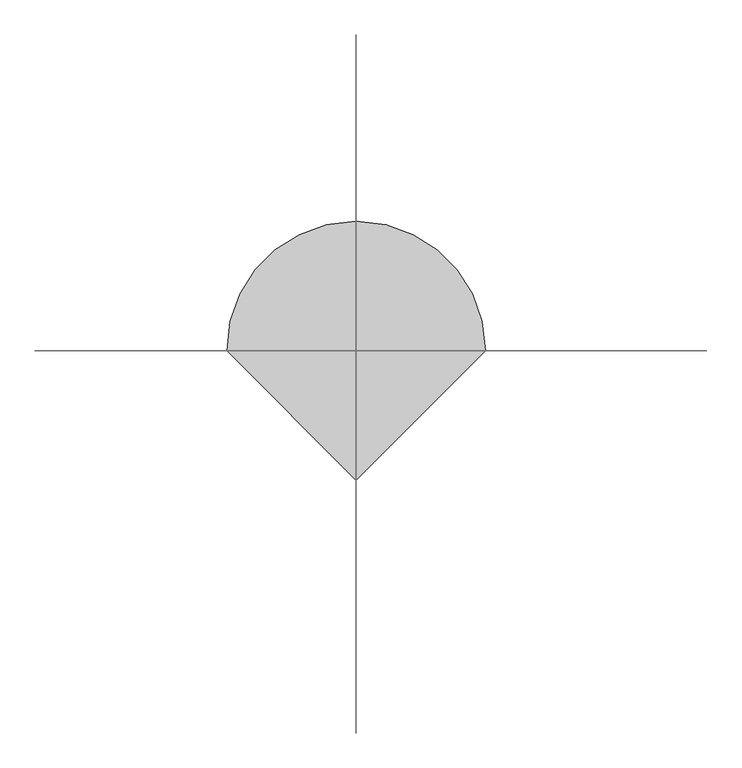
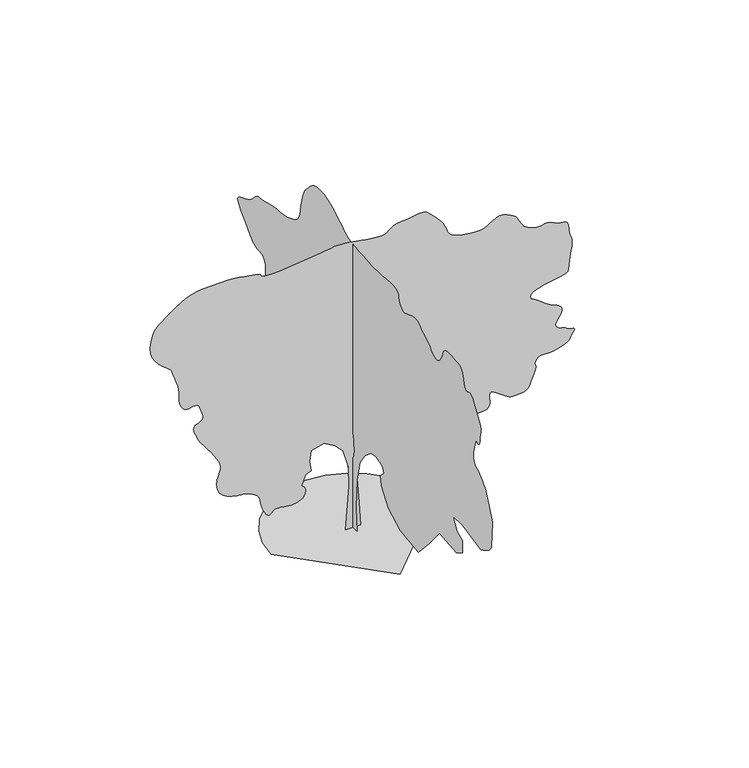
"""IFC4 building model written with IfcOpenShell, lengths in millimetres: geographic element geometry."""

from ifc_helpers import new_model, si_unit, origin, place, context, project, spatial, triangles, source, transform, mapped, element, save


def geographic_element_6e897a6f(model_context):
    return source(origin(), model_context, "Body", "Tessellation", [
        triangles([(-6.51e-05, 105.0228319, 0.0074776), (-6.15e-05, -138.9131143, 0.0074703), (-4.84e-05, -99.8833291, 458.6078719), (-3.14e-05, -129.1556067, 1014.7807915), (-1.8e-05, -226.7299288, 1414.8361691), (-8.5e-06, -392.6053236, 1649.0138809), (-1.1e-06, -577.9979682, 1805.1340027), (2.6e-06, -753.6305981, 1844.161417), (3.5e-06, -948.7807503, 1775.8613708), (1.5e-06, -1007.3257959, 1678.2863674), (-4e-06, -890.2357046, 1551.4387321), (-8.4e-06, -929.2657351, 1385.5636826), (-1.44e-05, -1153.685903, 1073.3258371), (-1.47e-05, -1543.9838093, 868.4182137), (-8.5e-06, -2109.9142365, 790.3606236), (7.6e-06, -2451.4244957, 1161.1409712), (2.53e-05, -2802.702182, 1580.7112186), (3.2e-05, -3349.1028419, 1531.9237896), (3.84e-05, -3544.2528488, 1649.0138809), (4.53e-05, -3534.5028625, 1883.1915928), (4.5e-05, -3358.8778267, 1961.2516537), (4.95e-05, -3232.0277206, 2175.9142776), (5.43e-05, -3534.5028625, 2185.6718216), (5.98e-05, -4139.453437, 2068.584201), (6.19e-05, -4208.0283211, 2104.1717091), (6.39e-05, -4273.9283684, 2140.0142887), (6.59e-05, -4334.553447, 2176.3691917), (6.78e-05, -4387.2284294, 2213.4942513), (6.96e-05, -4429.328476, 2251.6417774), (7.12e-05, -4458.2034576, 2291.0693127), (7.26e-05, -4471.2035362, 2332.0343994), (8.79e-05, -4500.4784935, 2829.6522812), (9.79e-05, -4334.6034439, 3249.2275429), (9.86e-05, -4317.5036156, 3282.3275574), (9.94e-05, -4292.2284142, 3321.5527794), (0.0001002, -4260.1033401, 3364.7027618), (0.000101, -4222.5283081, 3409.5526405), (0.0001017, -4180.8532356, 3453.9028404), (0.0001023, -4136.4533295, 3495.527916), (0.0001027, -4090.6782166, 3532.2027122), (0.0001029, -4046.5782921, 3560.9279938), (0.0001029, -4006.7531067, 3582.8278198), (0.000103, -3971.8782005, 3601.8278229), (0.0001031, -3942.6282417, 3621.853054), (0.0001036, -3919.7031876, 3646.8529816), (0.0001043, -3903.7782875, 3680.7029503), (0.0001056, -3895.5282097, 3727.3530098), (0.0001072, -3894.4782738, 3782.2781456), (0.0001089, -3899.0532852, 3838.2282188), (0.0001108, -3908.3283005, 3895.0532387), (0.0001127, -3921.3530869, 3952.5282188), (0.0001147, -3937.2032822, 4010.528167), (0.0001167, -3954.9280724, 4068.8783844), (0.0001187, -3973.5780968, 4127.4033005), (0.0001184, -3998.5533165, 4107.2783661), (0.0001184, -4022.8532867, 4091.9534294), (0.0001185, -4045.7783409, 4086.1782005), (0.0001191, -4066.6532295, 4094.7532585), (0.0001202, -4084.8032845, 4122.4283134), (0.0001219, -4099.5532562, 4174.003363), (0.0001245, -4110.1781891, 4254.2534065), (0.000127, -4120.6784203, 4333.2285278), (0.0001287, -4132.0283089, 4385.4035408), (0.0001299, -4139.1284569, 4422.2036201), (0.0001309, -4136.8033081, 4455.0786484), (0.0001318, -4120.0034615, 4495.478508), (0.0001331, -4083.5533607, 4554.8286644), (0.0001348, -4022.3783157, 4644.5537109), (0.0001367, -3956.5782623, 4741.1289207), (0.0001382, -3906.9780922, 4815.003772), (0.0001392, -3869.5280525, 4868.5789902), (0.0001398, -3840.0781059, 4904.2041412), (0.0001401, -3814.5532104, 4924.3290756), (0.0001399, -3788.8780334, 4931.3042313), (0.0001393, -3758.9281174, 4927.5038818), (0.0001386, -3727.67799, 4918.0288788), (0.0001379, -3700.2029228, 4909.0788437), (0.0001374, -3675.45298, 4904.7291092), (0.0001372, -3652.4029335, 4909.0788437), (0.0001374, -3630.0528442, 4926.2289597), (0.000138, -3607.3527763, 4960.2792068), (0.0001393, -3583.2777924, 5015.329335), (0.0001409, -3562.2279144, 5079.6288986), (0.0001424, -3546.3027237, 5137.7544205), (0.0001437, -3531.0527824, 5188.4042358), (0.0001447, -3512.0527794, 5230.1540131), (0.0001452, -3484.8526955, 5261.6794144), (0.0001452, -3445.0278008, 5281.604361), (0.0001446, -3388.1277855, 5288.5295197), (0.0001436, -3319.3276245, 5291.5793335), (0.0001428, -3248.6275795, 5298.5544891), (0.000142, -3178.9774704, 5306.2040222), (0.0001411, -3113.2274139, 5311.3042923), (0.0001402, -3054.3025223, 5310.5793365), (0.0001392, -3005.1273262, 5300.8293503), (0.000138, -2968.5775223, 5278.7795334), (0.0001369, -2944.7272339, 5253.1543533), (0.0001361, -2929.602285, 5232.6294434), (0.0001354, -2919.9272942, 5214.0044174), (0.0001347, -2912.4774582, 5194.0044754), (0.0001338, -2904.0023941, 5169.4042328), (0.0001326, -2891.2523003, 5136.9288895), (0.000131, -2871.0023735, 5093.3792221), (0.0001292, -2844.6522377, 5045.379245), (0.0001275, -2815.5772682, 5003.1539154), (0.000126, -2783.4271957, 4968.9542587), (0.0001248, -2747.8773308, 4945.0039764), (0.0001238, -2708.5521149, 4933.504097), (0.0001233, -2665.1521477, 4936.7039017), (0.0001232, -2617.3021614, 4956.7788391), (0.0001234, -2569.6771614, 4988.2542435), (0.0001238, -2525.4769524, 5023.3038483), (0.0001243, -2482.1194244, 5060.7288895), (0.0001247, -2437.0595295, 5099.3538574), (0.0001252, -2387.7318718, 5138.0044052), (0.0001254, -2331.5768692, 5175.4294464), (0.0001255, -2266.0343582, 5210.4790512), (0.0001256, -2205.0142456, 5244.5542969), (0.0001259, -2159.0142918, 5277.6040237), (0.0001262, -2120.3541515, 5306.2290207), (0.0001262, -2081.3542065, 5327.0044968), (0.0001258, -2034.3291698, 5336.5044983), (0.0001247, -1971.6040741, 5331.3292328), (0.0001227, -1885.4940685, 5308.0544907), (0.0001205, -1797.391452, 5276.8540695), (0.0001188, -1730.2863911, 5251.9544266), (0.0001175, -1678.8813892, 5236.1042313), (0.0001168, -1637.8888332, 5232.02948), (0.0001166, -1602.0163136, 5242.4794235), (0.0001169, -1565.9737461, 5270.1544785), (0.0001177, -1524.4687214, 5317.8044769), (0.0001188, -1490.9861721, 5373.8045471), (0.0001201, -1475.2561729, 5423.9793915), (0.0001212, -1466.3511932, 5467.3296524), (0.0001221, -1453.3511147, 5502.8292297), (0.0001225, -1425.3286972, 5529.4543488), (0.0001222, -1371.366148, 5546.1794907), (0.000121, -1280.5334656, 5551.979718), (0.0001195, -1182.4759335, 5550.8792038), (0.0001183, -1108.9958982, 5547.8793869), (0.0001174, -1052.4133781, 5543.5296524), (0.0001165, -1005.0483187, 5538.3293884), (0.0001156, -959.2208107, 5532.7797272), (0.0001147, -907.2482563, 5527.4044739), (0.0001136, -841.4482029, 5522.7041794), (0.0001125, -772.3506037, 5519.7043625), (0.0001115, -711.6155754, 5518.9044113), (0.0001107, -653.2705175, 5520.154335), (0.0001099, -591.3404677, 5523.2797256), (0.000109, -519.8504273, 5528.1294296), (0.0001078, -432.8303392, 5534.5046219), (0.0001065, -324.3052774, 5542.2297318), (0.000105, -203.687658, 5552.8796631), (0.0001037, -86.9965703, 5567.6043457), (0.0001026, 21.8426915, 5585.7544006), (0.0001018, 118.9050968, 5606.6292892), (0.0001012, 200.2644113, 5629.5546341), (0.0001011, 261.9952181, 5653.8543137), (0.0001012, 300.1702499, 5678.8295334), (0.0001016, 342.4727732, 5713.0297714), (0.000102, 413.9603428, 5761.2297363), (0.0001023, 506.7854181, 5817.0798157), (0.0001024, 613.0930281, 5874.3298096), (0.0001023, 725.0330704, 5926.6045258), (0.0001019, 834.75319, 5967.6299286), (0.0001011, 934.4057556, 5991.07966), (0.0001, 1022.9033335, 5999.8047089), (9.88e-05, 1104.7484104, 6000.0046967), (9.74e-05, 1180.4459702, 5990.3047073), (9.57e-05, 1250.5110249, 5969.3298248), (9.38e-05, 1315.4560432, 5935.7295502), (9.14e-05, 1375.7936394, 5888.1545471), (8.87e-05, 1432.0336658, 5825.2049011), (8.63e-05, 1478.7161362, 5768.8048553), (8.48e-05, 1512.7687088, 5733.7546692), (8.36e-05, 1538.2837212, 5707.9295013), (8.25e-05, 1559.3638298, 5679.2045105), (8.09e-05, 1580.1012268, 5635.454274), (7.84e-05, 1604.5962433, 5564.5545319), (7.46e-05, 1636.941362, 5454.4042786), (7.05e-05, 1667.1512913, 5330.3292938), (6.7e-05, 1688.656374, 5223.97939), (6.39e-05, 1710.6739254, 5132.8541382), (6.11e-05, 1742.4214062, 5054.3292801), (5.83e-05, 1793.1164223, 4985.8788071), (5.53e-05, 1871.9714928, 4924.9540375), (5.19e-05, 1988.2065491, 4868.9789658), (4.87e-05, 2119.0091755, 4825.5040031), (4.62e-05, 2237.6917568, 4799.6038399), (4.41e-05, 2347.6668755, 4784.9788605), (4.22e-05, 2452.3543808, 4775.3288681), (4.04e-05, 2555.1521759, 4764.2789612), (3.83e-05, 2659.5022018, 4745.5539413), (3.57e-05, 2768.8022163, 4712.8539024), (3.33e-05, 2866.4523605, 4683.5786545), (3.19e-05, 2939.5522591, 4672.2287659), (3.09e-05, 2996.927536, 4668.05373), (2.99e-05, 3047.4773575, 4660.2786232), (2.85e-05, 3100.0776352, 4638.1788094), (2.61e-05, 3163.6025368, 4590.9787834), (2.24e-05, 3246.9276833, 4507.9536186), (1.83e-05, 3354.9527756, 4422.0536293), (1.48e-05, 3474.4277504, 4364.5036537), (1.18e-05, 3586.9278603, 4321.8033531), (9.3e-06, 3673.9780701, 4280.47855), (7e-06, 3717.153051, 4227.0283241), (5e-06, 3698.0280556, 4147.9782074), (2.9e-06, 3598.1780457, 4029.8281517), (1.1e-06, 3473.4528099, 3906.2781349), (-3e-07, 3385.2276718, 3815.6781418), (-1.3e-06, 3323.4776619, 3751.5279877), (-1.9e-06, 3278.1025246, 3707.3530678), (-2.2e-06, 3239.0275841, 3676.6529068), (-2.3e-06, 3196.2275803, 3652.9528999), (-2.1e-06, 3139.5775497, 3629.777861), (-1.7e-06, 3075.1774109, 3613.37799), (-9e-07, 3016.2275208, 3608.6029907), (-2e-07, 2963.4272552, 3606.7278145), (2e-07, 2917.4774437, 3599.0529922), (2e-07, 2879.0024666, 3576.8528938), (-7e-07, 2848.7272797, 3531.452758), (-2.7e-06, 2827.3524216, 3454.1278267), (-5.1e-06, 2815.7522575, 3369.9277336), (-7e-06, 2813.352404, 3305.0276253), (-8.6e-06, 2818.6523712, 3252.4026398), (-1.02e-05, 2830.0772552, 3205.052623), (-1.19e-05, 2846.1274384, 3156.0024193), (-1.39e-05, 2865.2274353, 3098.2524559), (-1.64e-05, 2885.9023361, 3024.8025787), (-1.92e-05, 2914.627327, 2946.6774055), (-2.18e-05, 2954.4525124, 2877.5772629), (-2.43e-05, 2998.5524368, 2814.6273262), (-2.67e-05, 3040.0775185, 2754.9021927), (-2.9e-05, 3072.2275909, 2695.5270378), (-3.11e-05, 3088.152491, 2633.6020386), (-3.3e-05, 3081.0526337, 2566.2020828), (-3.46e-05, 3060.4274391, 2500.277037), (-3.6e-05, 3039.102578, 2443.7194427), (-3.71e-05, 3015.2525803, 2395.18694), (-3.79e-05, 2986.9272743, 2353.3118797), (-3.85e-05, 2952.3273514, 2316.7293743), (-3.88e-05, 2909.5023491, 2284.0717747), (-3.89e-05, 2856.6273788, 2253.9743385), (-3.87e-05, 2791.7272705, 2230.5618141), (-3.8e-05, 2717.452153, 2216.0268002), (-3.71e-05, 2638.7520149, 2206.0967377), (-3.62e-05, 2560.5271385, 2196.5117123), (-3.56e-05, 2487.799601, 2182.9993103), (-3.53e-05, 2425.47201, 2161.2942398), (-3.56e-05, 2378.5043827, 2127.129174), (-3.62e-05, 2345.7043499, 2089.8041267), (-3.68e-05, 2322.8044395, 2060.3341232), (-3.73e-05, 2310.1443111, 2037.0066227), (-3.78e-05, 2308.0692924, 2018.1191128), (-3.84e-05, 2316.9168629, 2001.9616688), (-3.92e-05, 2337.0294434, 1986.8265461), (-4.01e-05, 2368.7469841, 1971.0090523), (-4.1e-05, 2411.2470062, 1962.5040482), (-4.16e-05, 2459.0394379, 1965.0915356), (-4.21e-05, 2505.4770103, 1970.754126), (-4.27e-05, 2543.876992, 1971.4641117), (-4.34e-05, 2567.6019974, 1959.2041042), (-4.44e-05, 2569.9771431, 1925.949012), (-4.59e-05, 2544.3769615, 1863.6765049), (-4.75e-05, 2509.7520401, 1792.5014889), (-4.89e-05, 2484.8695473, 1735.1513557), (-4.99e-05, 2462.7095627, 1687.5312973), (-5.08e-05, 2436.2819607, 1645.5438892), (-5.14e-05, 2398.5894939, 1605.0912712), (-5.19e-05, 2342.631863, 1562.0787804), (-5.22e-05, 2261.4142914, 1512.4087017), (-5.2e-05, 2169.1316975, 1473.3237328), (-5.1e-05, 2083.5066914, 1461.3762062), (-4.95e-05, 2002.8290577, 1471.4462311), (-4.76e-05, 1925.3965748, 1498.4137711), (-4.53e-05, 1849.4990273, 1537.1587898), (-4.28e-05, 1773.4289612, 1582.5612511), (-4.02e-05, 1695.4838642, 1629.498793), (-3.77e-05, 1622.0063725, 1676.8063705), (-3.54e-05, 1558.0838207, 1724.7964645), (-3.31e-05, 1500.136195, 1770.5689613), (-3.11e-05, 1444.578685, 1811.2214218), (-2.93e-05, 1387.8261898, 1843.8489361), (-2.77e-05, 1326.2960793, 1865.5564774), (-2.64e-05, 1256.4010723, 1873.4340488), (-2.5e-05, 1159.1384045, 1874.2890839), (-2.3e-05, 1027.910804, 1875.4840691), (-2.07e-05, 877.7382116, 1874.971455), (-1.86e-05, 723.6380974, 1870.7039829), (-1.67e-05, 580.6329818, 1860.6339581), (-1.55e-05, 463.7428782, 1842.7115055), (-1.52e-05, 387.9878002, 1814.8914013), (-1.57e-05, 343.2127716, 1776.8839828), (-1.66e-05, 308.1652379, 1730.6863667), (-1.77e-05, 281.2252217, 1677.6614056), (-1.92e-05, 260.7727092, 1619.1738419), (-2.08e-05, 245.1829449, 1556.5887085), (-2.26e-05, 232.8366963, 1491.2736546), (-2.44e-05, 222.1121874, 1424.593713), (-3.85e-05, 114.7803395, 897.6907001), (-2.01e-05, 26.9632729, 1297.7460777), (-1.3e-05, 173.3248856, 1609.9838505), (-6.5e-06, 300.1727388, 1892.9489914), (2e-07, 319.6852469, 2127.129174), (4.7e-06, 251.3852008, 2244.2167946), (-4e-07, 222.1119331, 2058.8266571), (-1.7e-06, 228.0859325, 2017.1791992), (-3e-06, 232.2679447, 1976.5565334), (-4.1e-06, 232.865183, 1937.9815624), (-5.1e-06, 228.0859325, 1902.4790783), (-5.9e-06, 216.1379336, 1871.0740185), (-6.4e-06, 195.2293988, 1844.788995), (-6.5e-06, 163.5673779, 1824.6489452), (-6.1e-06, 127.1833524, 1819.4714996), (-5.2e-06, 93.5303284, 1831.0190506), (-4.2e-06, 62.949051, 1849.7389835), (-3.3e-06, 35.7820297, 1866.0664753), (-2.9e-06, 12.3698845, 1870.4490566), (-3.1e-06, -6.9458055, 1853.3239391), (-4.3e-06, -21.8237678, 1805.1340027), (-6.1e-06, -32.3777771, 1741.0688725), (-7.7e-06, -39.3472803, 1682.1263947), (-9.3e-06, -43.330036, 1627.4512436), (-1.08e-05, -44.9230347, 1576.1888203), (-1.22e-05, -44.724037, 1527.4862698), (-1.37e-05, -43.330036, 1480.4911732), (-1.51e-05, -41.3385332, 1434.3511116), (137.391859, -0.0003253, 0.0), (-133.3141101, -0.0003334, 0.0), (-73.1573078, -0.0002372, 832.1731876), (-83.1833128, -0.0002433, 1223.1935062), (-183.4456522, -0.0001982, 1574.1087147), (-333.8377625, -0.0002049, 1724.5014244), (-534.3604428, -0.0002126, 1844.8164642), (-785.015601, -0.0002192, 1784.6589443), (-805.0681561, -0.0002168, 1584.1363003), (-785.015601, -0.0002134, 1393.6386257), (-885.278231, -0.0002156, 1343.5060753), (-955.4607931, -0.0002149, 1153.0084007), (-936.3432827, -0.0002675, 1139.8859459), (-918.5407356, -0.0002668, 1125.3558735), (-903.3707314, -0.0002661, 1108.0234285), (-892.1456898, -0.0002654, 1086.4808481), (-886.1831903, -0.0002648, 1059.3258196), (-886.7981964, -0.0002643, 1025.1533415), (-895.3032005, -0.0002639, 982.5658247), (-913.9532249, -0.0002639, 940.0632591), (-942.5982788, -0.0002642, 906.5057144), (-978.963283, -0.0002649, 881.018244), (-1020.7633478, -0.0002659, 862.7181982), (-1065.71838, -0.0002671, 850.7331739), (-1111.553373, -0.0002683, 844.1856812), (-1155.9834372, -0.0002696, 842.1981571), (-1199.4784567, -0.000271, 844.8881819), (-1243.6759769, -0.0002724, 851.4356747), (-1288.0485592, -0.0002738, 859.5631582), (-1332.0685467, -0.0002752, 866.9856703), (-1375.2135876, -0.0002766, 871.4282043), (-1416.9560978, -0.0002778, 870.610667), (-1456.7686386, -0.0002789, 862.2507122), (-1490.9986713, -0.0002796, 844.3906832), (-1518.2137253, -0.0002801, 821.2681847), (-1541.2187164, -0.0002805, 799.9006662), (-1562.8187061, -0.0002809, 787.3031067), (-1585.8238426, -0.0002817, 790.4881594), (-1613.0387512, -0.0002829, 816.475672), (-1647.2663132, -0.0002313, 872.2782251), (-1679.7413658, -0.0002334, 944.3882858), (-1702.0463997, -0.0002351, 1013.34585), (-1717.508828, -0.0002365, 1077.2133905), (-1729.4639122, -0.0002377, 1134.0684231), (-1741.2438618, -0.0002387, 1181.9784348), (-1756.1814674, -0.0002397, 1219.0134562), (-1777.6064678, -0.0002407, 1243.2460613), (-1804.2939377, -0.0002418, 1262.5659576), (-1833.963929, -0.000243, 1284.8709915), (-1868.368951, -0.0002444, 1308.2261066), (-1909.2639839, -0.000246, 1330.7035137), (-1958.3990662, -0.0002477, 1350.3761501), (-2017.5341194, -0.0002497, 1365.3136105), (-2088.4191822, -0.0002519, 1373.5860706), (-2170.7616852, -0.0002011, 1382.5010788), (-2258.5417923, -0.000204, 1401.9387005), (-2344.9193687, -0.0002071, 1433.8312305), (-2423.054425, -0.0002101, 1480.1036968), (-2486.1046463, -0.0002129, 1542.6862141), (-2527.2271362, -0.0002153, 1623.5087517), (-2539.6019623, -0.0002172, 1724.5014244), (-2528.5270569, -0.0002183, 1822.2489464), (-2508.6771057, -0.0002189, 1897.5490013), (-2487.2420769, -0.0002192, 1958.6416386), (-2471.4293793, -0.0001661, 2013.7690876), (-2468.4170631, -0.0001669, 2071.1791008), (-2485.3994568, -0.0001684, 2139.1117275), (-2529.5769928, -0.000171, 2225.8093426), (-2588.3771828, -0.0001741, 2318.6769299), (-2644.0272743, -0.000177, 2400.3194756), (-2695.8273102, -0.0001796, 2471.7869156), (-2743.0773331, -0.000182, 2534.1270058), (-2785.0523872, -0.0001306, 2588.4271797), (-2821.0522247, -0.0001324, 2635.6772026), (-2850.4021774, -0.0001339, 2676.977298), (-2878.5522034, -0.0001354, 2723.8270546), (-2908.6274025, -0.0001372, 2782.7522369), (-2936.4274498, -0.000139, 2847.4523575), (-2957.7523109, -0.0001406, 2911.6522179), (-2968.352536, -0.0001418, 2969.0024963), (-2964.0525078, -0.0001423, 3013.2024147), (-2940.6524826, -0.000142, 3037.927359), (-2905.0023331, -0.0001411, 3050.052491), (-2869.2021927, -0.0001402, 3062.5526001), (-2836.7274307, -0.0001395, 3078.1775185), (-2811.1022507, -0.000139, 3099.7773628), (-2795.8023125, -0.000139, 3130.1525436), (-2794.3773994, -0.0001396, 3172.1025993), (-2810.3022995, -0.0001409, 3228.4276497), (-2831.7271545, -8.9e-05, 3286.3526024), (-2846.6774048, -9.02e-05, 3332.2027107), (-2858.4522675, -9.1e-05, 3367.3276016), (-2870.4024101, -9.18e-05, 3393.1777679), (-2885.8523392, -9.25e-05, 3411.1278351), (-2908.17743, -9.33e-05, 3422.5777176), (-2940.6524826, -9.44e-05, 3428.9529099), (-2978.7524826, -9.55e-05, 3427.0527351), (-3016.0025345, -9.65e-05, 3417.4277412), (-3052.7023293, -9.74e-05, 3407.1277885), (-3089.2524239, -9.85e-05, 3403.1027435), (-3125.9775078, -9.97e-05, 3412.4277557), (-3163.2025612, -0.0001012, 3442.1026886), (-3201.3275597, -0.0001032, 3499.1276962), (-3229.5025841, -0.0001051, 3569.6277534), (-3241.3777313, -0.0001065, 3637.1529922), (-3243.9525742, -0.0001076, 3704.8529297), (-3244.2275574, -0.0001086, 3775.9029533), (-3249.2525414, -5.65e-05, 3853.4031647), (-3266.0276802, -5.83e-05, 3940.5780762), (-3301.5775452, -6.09e-05, 4040.5533691), (-3337.877655, -6.33e-05, 4130.928376), (-3357.5276184, -6.48e-05, 4192.7283829), (-3368.4028267, -6.58e-05, 4234.1784691), (-3378.4027977, -6.65e-05, 4263.5284218), (-3395.4276306, -6.74e-05, 4289.0033203), (-3427.3277184, -6.88e-05, 4318.8785316), (-3482.0528664, -7.1e-05, 4361.3785538), (-3552.8529053, -2.06e-05, 4417.8785934), (-3623.6529442, -2.37e-05, 4484.3786041), (-3688.3030678, -2.68e-05, 4561.0535751), (-3740.6780685, -2.96e-05, 4648.0787865), (-3774.6530296, -3.21e-05, 4745.6289368), (-3784.0780357, -3.4e-05, 4853.8540169), (-3762.7781731, -3.51e-05, 4972.9790131), (-3729.8781464, 1.77e-05, 5076.7040771), (-3704.502951, 1.74e-05, 5145.8539261), (-3680.7029503, 1.74e-05, 5191.3290573), (-3652.5279259, 1.78e-05, 5224.0043884), (-3614.0029518, 1.85e-05, 5254.7792542), (-3559.1778099, 1.95e-05, 5294.454158), (-3482.0528664, 2.09e-05, 5353.9795944), (-3391.1775993, 2.26e-05, 5424.8793365), (-3298.9027084, 2.44e-05, 5490.3794083), (-3205.0276245, 2.63e-05, 5548.6543396), (-3109.4276459, 2.84e-05, 5598.0042343), (-3011.8774956, 3.07e-05, 5636.6297836), (-2912.2274734, 3.33e-05, 5662.8293472), (-2810.3022995, 3.62e-05, 5674.8047791), (-2339.0719059, 5.01e-05, 5684.8297485), (-2273.3618179, 5.21e-05, 5682.2043274), (-2197.6542297, 5.44e-05, 5674.854776), (-2113.614156, 3.7e-06, 5663.5293045), (-2022.9116982, 6.6e-06, 5649.0546066), (-1927.2115803, 9.7e-06, 5632.2294708), (-1828.1764915, 1.3e-05, 5613.8044327), (-1727.4763882, 1.63e-05, 5594.6044418), (-1724.3188774, 1.66e-05, 5575.4544479), (-1715.1114452, 1.72e-05, 5557.4543839), (-1693.8014088, 1.8e-05, 5541.7297623), (-1654.3413174, 1.94e-05, 5529.4293503), (-1590.6763081, 2.14e-05, 5521.6792419), (-1496.7561687, 2.42e-05, 5519.6293671), (-1366.5335941, 2.81e-05, 5524.4296555), (-604.5454757, 4.94e-05, 5614.6543808), (-529.8304141, 5.15e-05, 5621.554541), (-464.7628741, -1e-07, 5631.7794983), (-403.0278342, 1.6e-06, 5642.554422), (-338.3102729, 3.4e-06, 5651.0294861), (-264.297712, 5.6e-06, 5654.4042801), (-174.6758932, 8.3e-06, 5649.9045547), (-63.1313028, 1.19e-05, 5634.7043198), (53.8502923, 1.57e-05, 5614.4793915), (156.9766284, 1.9e-05, 5596.879303), (248.3524462, 2.19e-05, 5582.1046234), (330.0827591, 2.45e-05, 5570.2797638), (404.2703093, 2.69e-05, 5561.6297104), (473.0203643, 2.9e-05, 5556.304454), (538.4379192, 3.1e-05, 5554.5045639), (593.7429737, 3.25e-05, 5562.8296371), (635.895488, 3.35e-05, 5584.3044891), (672.6080727, 3.41e-05, 5613.6794403), (711.6030762, 3.48e-05, 5645.7048111), (760.5931091, 3.58e-05, 5675.0797623), (827.2981945, 3.75e-05, 5696.5546143), (919.4332684, 4.01e-05, 5704.904686), (1019.3733164, 4.3e-05, 5711.6048584), (1106.3358862, 4.54e-05, 5726.7545151), (1183.3009558, 4.74e-05, 5742.7796997), (1253.2485031, 4.94e-05, 5752.1297104), (1319.1661366, 5.14e-05, 5747.279425), (1384.0286018, 5.37e-05, 5720.6798859), (1450.8211819, 3.2e-06, 5664.7798096), (1514.7787605, 6.1e-06, 5597.4042709), (1569.6162563, 8.6e-06, 5539.5043167), (1616.0337719, 1.07e-05, 5488.254538), (1654.7363514, 1.26e-05, 5440.8795227), (1686.421336, 1.42e-05, 5394.5544434), (1711.7939152, 1.57e-05, 5346.4544724), (1731.5539009, 1.7e-05, 5293.8291962), (1749.3263626, 1.84e-05, 5241.0045135), (1770.606459, 1.97e-05, 5194.1544662), (1798.9013889, 2.12e-05, 5153.0790665), (1837.7189323, -3.06e-05, 5117.6039063), (1890.5690495, -2.85e-05, 5087.6039932), (1960.9566135, -2.61e-05, 5062.8293427), (2052.3917301, -2.3e-05, 5043.1537994), (2147.2741653, -2e-05, 5028.9540848), (2227.0742363, -1.75e-05, 5020.3540283), (2293.8969017, -1.55e-05, 5016.8542419), (2349.8443588, -1.38e-05, 5017.9041779), (2397.0244732, -1.25e-05, 5023.0038666), (2437.5369713, -1.14e-05, 5031.5789246), (2473.4920441, -1.05e-05, 5043.1537994), (2512.0269012, -9.7e-06, 5063.479303), (2558.2519867, -8.7e-06, 5093.9791855), (2611.3522339, -7.6e-06, 5127.6038773), (2670.3771194, -6.3e-06, 5157.4043839), (2734.5272736, -4.7e-06, 5176.304393), (2802.8521729, -2.7e-06, 5177.3293304), (2874.527449, -2e-07, 5153.4540436), (2937.3023964, 2.2e-06, 5120.2293274), (2982.5275429, 3.9e-06, 5095.0541199), (3014.7523201, 5.2e-06, 5073.7292587), (3038.5773193, 6.2e-06, 5052.0788361), (3058.5525536, 7.2e-06, 5025.854274), (3079.2024559, 8.3e-06, 4990.8790833), (3105.1276176, 9.8e-06, 4942.9041046), (3132.7273865, -4.2e-05, 4892.8036743), (3157.7026062, -4.07e-05, 4852.7037964), (3183.5274834, -3.94e-05, 4820.3040298), (3213.7526733, -3.81e-05, 4793.3539307), (3251.8776718, -3.66e-05, 4769.5539299), (3301.4025558, -3.48e-05, 4746.6538742), (3365.8276932, -3.25e-05, 4722.3289055), (3431.1277771, -3.03e-05, 4707.5039383), (3484.3277275, -2.88e-05, 4709.3538254), (3530.502816, -2.76e-05, 4719.9537598), (3574.753022, -2.64e-05, 4731.4539299), (3622.1780342, -2.51e-05, 4735.9289474), (3677.8278351, -2.33e-05, 4725.4787132), (3746.8029854, -2.07e-05, 4692.2537064), (3818.1279922, -1.81e-05, 4658.4537346), (3877.8781242, -1.61e-05, 4644.1287369), (3926.7530479, -1.45e-05, 4638.053817), (3965.453302, -1.32e-05, 4629.003788), (3994.7032608, -1.2e-05, 4605.7287552), (4015.1531754, -6.41e-05, 4557.0288208), (4027.5532906, -6.24e-05, 4471.6785072), (4039.2031609, -6.08e-05, 4384.4785973), (4054.5533867, -5.95e-05, 4327.8035683), (4069.9033218, -5.84e-05, 4286.7284592), (4081.5781906, -5.75e-05, 4246.3533073), (4085.8532204, -5.65e-05, 4191.7784409), (4079.1033417, -5.55e-05, 4108.1033157), (4057.628199, -5.42e-05, 3980.3782631), (4035.5283852, -0.0001063, 3847.1779633), (4024.4781876, -0.0001052, 3752.0279572), (4017.103347, -0.0001045, 3687.578112), (4006.0531494, -0.0001042, 3646.453006), (3983.9533356, -0.0001045, 3621.2777985), (3943.4531914, -0.0001054, 3604.7279366), (3877.1531685, -0.0001072, 3589.3780014), (3783.9280449, -0.0001097, 3571.4279343), (3675.2779907, -0.0001126, 3551.3779953), (3562.7778809, -0.0001156, 3528.3279488), (3457.9778824, -0.0001183, 3501.452845), (3372.4778687, -0.0001204, 3469.8277405), (3317.8527145, -0.0001215, 3432.5776886), (3305.6525871, -0.0001212, 3388.8527412), (3318.4276794, -0.0001203, 3351.9776665), (3332.9526649, -0.0001195, 3330.9027901), (3352.2276512, -0.0001188, 3318.0777008), (3379.2027489, -0.0001178, 3305.9525688), (3416.8777748, -0.0001164, 3286.9775642), (3468.2528366, -0.0001143, 3253.627565), (3536.2527557, -0.0001115, 3198.3524506), (3611.5028137, -0.0001084, 3139.7525391), (3681.477903, -0.0001057, 3097.8024834), (3744.6281181, -0.0001033, 3067.0776146), (3799.3529755, -0.0001547, 3042.1273933), (3844.053154, -0.000153, 3017.5524399), (3877.2031654, -0.0001516, 2987.877507), (3897.2031075, -0.0001504, 2947.702343), (3897.9280632, -0.0001497, 2900.4773186), (3879.7280113, -0.0001495, 2853.6272713), (3850.6530418, -0.0001497, 2807.4771812), (3818.7529541, -0.00015, 2762.3773178), (3792.1281258, -0.0001501, 2718.6770782), (3778.8280655, -0.0001499, 2676.7270226), (3786.9281525, -0.0001491, 2636.8771294), (3809.6282204, -0.0001479, 2605.4770111), (3834.8031372, -0.0001469, 2585.8520462), (3862.4281952, -0.0001459, 2573.7522034), (3892.5031036, -0.0001448, 2564.9771576), (3925.0281532, -0.0001437, 2555.3271652), (3960.0283424, -0.0001425, 2540.6021919), (3997.4780914, -0.000141, 2516.5769142), (4036.1783455, -0.0001395, 2494.674472), (4072.603157, -0.0001383, 2485.0596519), (4103.2283226, -0.0001373, 2481.5796318), (4124.5534744, -0.0001366, 2478.1019371), (4133.1032433, -0.0001362, 2468.4845009), (4125.3284271, -0.0001895, 2446.5919418), (4097.7283676, -0.0001897, 2406.2819023), (4070.2033035, -0.0001899, 2361.9969601), (4057.9281807, -0.0001898, 2329.461882), (4050.3783508, -0.0001896, 2304.4693668), (4037.0532921, -0.0001897, 2282.8093517), (4007.4033577, -0.0001903, 2260.27439), (3950.9283165, -0.0001915, 2232.649332), (3857.1032295, -0.0001938, 2195.731818), (3751.1030136, -0.0001965, 2165.9741867), (3663.5278358, -0.000199, 2156.5616798), (3591.9278458, -0.0002011, 2158.3742146), (3533.8029053, -0.0002029, 2162.291708), (3486.7528702, -0.0002043, 2159.1942226), (3448.2778931, -0.0002051, 2139.9592049), (3415.9528313, -0.0002054, 2095.4691879), (3396.9028313, -0.0002053, 2048.9641777), (3394.8526657, -0.000205, 2022.9766651), (3402.2777939, -0.0002045, 2007.3391022), (3411.6278046, -0.000204, 1991.8766739), (3415.3778664, -0.0002035, 1966.4166), (3405.9528603, -0.0002031, 1920.7865364), (3375.8526627, -0.0002029, 1844.8164642), (3339.8028282, -0.0002027, 1759.2289558), (3313.4026955, -0.0002024, 1690.476321), (3290.3526489, -0.0002023, 1636.9838013), (3264.3024948, -0.0002025, 1597.1712605), (3228.9526176, -0.0002032, 1569.4613239), (3178.0025299, -0.0002044, 1552.2737103), (3105.1276176, -0.0002065, 1544.0311901), (3032.1274223, -0.0002086, 1540.6111954), (2980.1523972, -0.0002101, 1539.996262), (2942.0273987, -0.0002113, 1543.7687061), (2910.5772835, -0.0002124, 1553.5012516), (2878.6022003, -0.0002136, 1570.7762146), (2838.902298, -0.0002152, 1597.1712605), (2784.3021423, -0.0002174, 1634.2663799), (2725.2272598, -0.0002198, 1675.6263554), (2676.327047, -0.0002218, 1712.2539162), (2636.7271385, -0.0002234, 1741.8638821), (2605.5270081, -0.0002246, 1762.1813919), (2581.8769981, -0.0002254, 1770.9214108), (2564.9021622, -0.0002259, 1765.8039906), (2553.7019737, -0.0002259, 1744.5539795), (2547.3770691, -0.0002257, 1717.2514309), (2544.9269279, -0.0002254, 1694.3364052), (2545.2771973, -0.0002251, 1674.0488354), (2547.3770691, -0.0002247, 1654.6388283), (2550.2021873, -0.0002244, 1634.3538746), (2552.6520378, -0.0002239, 1611.4362328), (2553.7019737, -0.0002235, 1584.1363003), (2552.2770607, -0.0002231, 1554.2312943), (2547.1520828, -0.0002228, 1525.3811657), (2537.1271133, -0.0002227, 1498.6361412), (2520.9519379, -0.0002229, 1475.0461567), (2497.4295364, -0.0002233, 1455.666235), (2465.3044624, -0.000224, 1441.5461666), (2423.3594936, -0.0002251, 1433.7435905), (2380.6244568, -0.0002264, 1432.0761051), (2345.4293667, -0.0002275, 1436.3736626), (2315.4968914, -0.0002286, 1447.6861988), (2288.5467922, -0.0002297, 1467.0661205), (2262.2967957, -0.0002309, 1495.5662704), (2234.4692791, -0.0002323, 1534.2387646), (2202.7842945, -0.000234, 1584.1363003), (2173.4642818, -0.0002356, 1638.6213467), (2152.3892601, -0.0001837, 1689.7763638), (2136.7516972, -0.0001848, 1736.7214634), (2123.7442062, -0.0001858, 1778.5789375), (2110.561726, -0.0001868, 1814.4739849), (2094.3967243, -0.0001877, 1843.5290428), (2072.4441399, -0.0001886, 1864.8690193), (2041.9866966, -0.0001898, 1883.516573), (2003.1091278, -0.0001913, 1904.796524), (1957.2165802, -0.000193, 1928.2690739), (1905.7115845, -0.0001949, 1953.4966038), (1849.996526, -0.000197, 1980.0365536), (1791.4764061, -0.0001991, 2007.4566822), (1731.5539009, -0.0002013, 2035.3141388), (1390.663662, -0.0002115, 2035.3141388), (1200.1659874, -0.0002139, 1814.7364689), (1195.6959841, -0.0002136, 1784.6589443), (1190.1709579, -0.0002133, 1754.578949), (1182.5409731, -0.0002131, 1724.5014244), (1171.7559483, -0.0002129, 1694.4238998), (1156.7584625, -0.0002129, 1664.3439045), (1136.5034489, -0.0002131, 1634.2663799), (1109.9308702, -0.0002134, 1604.1888554), (1086.2834038, -0.0002138, 1578.7562508), (1071.7558748, -0.0002139, 1561.5687824), (1060.7358353, -0.0002141, 1551.0463142), (1047.610837, -0.0002144, 1545.6087101), (1026.7683592, -0.000215, 1543.6787407), (992.5982792, -0.000216, 1543.6787407), (939.4857508, -0.0002176, 1544.0311901), (873.0156801, -0.0002196, 1546.8661915), (804.2656614, -0.0002218, 1554.4362236), (735.8656214, -0.000224, 1565.3387558), (670.4455593, -0.0002262, 1578.1712574), (610.6404888, -0.0002281, 1591.5313431), (559.0754677, -0.0002299, 1604.0112499), (518.3879076, -0.0002312, 1614.2138248), (483.4279049, -0.0002324, 1624.5613037), (447.4153502, -0.0002337, 1638.0662933), (410.5253417, -0.000235, 1654.201355), (372.9353033, -0.0002364, 1672.4413754), (334.8177535, -0.0001845, 1692.2589157), (296.3502432, -0.0001859, 1713.1313335), (257.7052002, -0.0001874, 1734.5288647), (77.2350658, -0.0002405, 1353.5336609), (67.2090562, -0.0002365, 1062.7733562), (117.339849, -0.0002792, 451.1778749), (-1522.7162121, -1.1e-06, 0.0098235), (-1482.4612564, 348.9052657, 0.0098339), (-1367.8136032, 669.3205553, 0.0098435), (-1187.9534334, 952.0632534, 0.0098519), (-952.0632534, 1187.9534334, 0.0098589), (-669.3205553, 1367.8136032, 0.0098643), (-348.9052657, 1482.4612564, 0.0098677), (6.66e-05, 1522.7162121, 0.0098689), (348.9052657, 1482.4612564, 0.0098677), (669.3205553, 1367.8136032, 0.0098643), (952.0632534, 1187.9534334, 0.0098589), (1187.9534334, 952.0632534, 0.0098519), (1367.8136032, 669.3205553, 0.0098435), (1482.4612564, 348.9052657, 0.0098339), (1522.7162121, -0.0001238, 0.0098235), (-0.0001997, -1522.7162121, 0.0097782)], [[1, 300, 301], [300, 299, 301], [301, 299, 302], [299, 298, 302], [298, 297, 302], [297, 296, 302], [302, 296, 303], [296, 295, 303], [295, 294, 303], [294, 293, 303], [293, 292, 303], [2, 1, 3], [1, 301, 3], [3, 301, 4], [4, 301, 5], [301, 327, 5], [327, 326, 5], [5, 326, 6], [326, 325, 6], [325, 324, 6], [324, 323, 6], [323, 322, 6], [322, 321, 6], [321, 320, 6], [20, 19, 21], [19, 18, 21], [18, 17, 21], [21, 17, 22], [6, 320, 7], [320, 319, 7], [292, 291, 303], [303, 291, 304], [291, 290, 304], [262, 261, 263], [261, 260, 263], [263, 260, 264], [260, 259, 264], [264, 259, 265], [259, 258, 265], [11, 10, 12], [15, 14, 16], [265, 258, 266], [258, 257, 266], [206, 205, 207], [205, 204, 207], [207, 204, 208], [204, 203, 208], [208, 203, 209], [203, 202, 209], [209, 202, 210], [266, 257, 267], [12, 10, 13], [267, 257, 268], [268, 257, 269], [257, 256, 269], [269, 256, 270], [270, 256, 271], [256, 255, 271], [271, 255, 272], [272, 255, 273], [273, 255, 274], [274, 255, 275], [275, 255, 276], [276, 255, 277], [255, 254, 277], [277, 254, 278], [278, 254, 279], [279, 254, 280], [254, 253, 280], [280, 253, 281], [281, 253, 282], [290, 289, 304], [13, 10, 14], [14, 10, 16], [16, 10, 17], [17, 10, 22], [10, 9, 22], [202, 201, 210], [210, 201, 211], [211, 201, 212], [212, 201, 213], [213, 201, 214], [214, 201, 215], [215, 201, 216], [216, 201, 217], [217, 201, 218], [218, 201, 219], [201, 200, 219], [200, 199, 219], [199, 198, 219], [198, 197, 219], [197, 196, 219], [196, 195, 219], [195, 194, 219], [219, 194, 220], [194, 193, 220], [193, 192, 220], [192, 191, 220], [191, 190, 220], [190, 189, 220], [220, 189, 221], [189, 188, 221], [253, 252, 282], [282, 252, 283], [221, 188, 222], [188, 187, 222], [252, 251, 283], [222, 187, 223], [24, 23, 25], [319, 318, 7], [57, 56, 58], [58, 56, 59], [56, 55, 59], [59, 55, 60], [55, 54, 60], [60, 54, 61], [61, 54, 62], [25, 23, 26], [187, 186, 223], [26, 23, 27], [27, 23, 28], [28, 23, 29], [29, 23, 30], [30, 23, 31], [31, 23, 32], [32, 23, 33], [33, 23, 34], [34, 23, 35], [35, 23, 36], [36, 23, 37], [37, 23, 38], [38, 23, 39], [39, 23, 40], [40, 23, 41], [41, 23, 42], [42, 23, 43], [43, 23, 44], [23, 22, 44], [44, 22, 45], [22, 9, 45], [45, 9, 46], [46, 9, 47], [47, 9, 48], [9, 8, 48], [48, 8, 49], [49, 8, 50], [50, 8, 51], [51, 8, 52], [52, 8, 53], [53, 8, 54], [251, 250, 283], [283, 250, 284], [289, 288, 304], [304, 288, 305], [223, 186, 224], [288, 287, 305], [314, 313, 315], [313, 312, 315], [312, 311, 315], [311, 310, 315], [315, 310, 316], [310, 309, 316], [309, 308, 316], [316, 308, 317], [308, 307, 317], [307, 306, 317], [317, 306, 318], [306, 305, 318], [318, 305, 7], [7, 305, 8], [8, 305, 54], [54, 305, 62], [62, 305, 63], [63, 305, 64], [64, 305, 65], [65, 305, 66], [66, 305, 67], [67, 305, 68], [68, 305, 69], [69, 305, 70], [70, 305, 71], [71, 305, 72], [72, 305, 73], [73, 305, 74], [74, 305, 75], [75, 305, 76], [76, 305, 77], [77, 305, 78], [78, 305, 79], [79, 305, 80], [80, 305, 81], [81, 305, 82], [82, 305, 83], [83, 305, 84], [84, 305, 85], [85, 305, 86], [86, 305, 87], [87, 305, 88], [88, 305, 89], [89, 305, 90], [90, 305, 91], [91, 305, 92], [135, 134, 136], [136, 134, 137], [134, 133, 137], [137, 133, 138], [133, 132, 138], [138, 132, 139], [139, 132, 140], [132, 131, 140], [140, 131, 141], [141, 131, 142], [142, 131, 143], [131, 130, 143], [143, 130, 144], [144, 130, 145], [287, 286, 305], [224, 186, 225], [186, 185, 225], [250, 249, 284], [145, 130, 146], [286, 285, 305], [284, 249, 285], [285, 249, 305], [249, 248, 305], [235, 234, 236], [234, 233, 236], [236, 233, 237], [233, 232, 237], [237, 232, 238], [238, 232, 239], [239, 232, 240], [240, 232, 241], [241, 232, 242], [242, 232, 243], [243, 232, 244], [244, 232, 245], [232, 231, 245], [245, 231, 246], [246, 231, 247], [231, 230, 247], [247, 230, 248], [248, 230, 305], [230, 229, 305], [229, 228, 305], [228, 227, 305], [227, 226, 305], [226, 225, 305], [225, 185, 305], [185, 184, 305], [184, 183, 305], [183, 182, 305], [182, 181, 305], [181, 180, 305], [180, 179, 305], [179, 178, 305], [178, 177, 305], [177, 176, 305], [176, 175, 305], [175, 174, 305], [174, 173, 305], [173, 172, 305], [172, 171, 305], [171, 170, 305], [170, 169, 305], [169, 168, 305], [168, 167, 305], [167, 166, 305], [166, 165, 305], [165, 164, 305], [164, 163, 305], [163, 162, 305], [162, 161, 305], [161, 160, 305], [160, 159, 305], [159, 158, 305], [158, 157, 305], [157, 156, 305], [156, 155, 305], [155, 154, 305], [154, 153, 305], [153, 152, 305], [152, 151, 305], [151, 150, 305], [150, 149, 305], [149, 148, 305], [148, 147, 305], [147, 146, 305], [146, 130, 305], [130, 129, 305], [129, 128, 305], [128, 127, 305], [127, 126, 305], [126, 125, 305], [125, 124, 305], [124, 123, 305], [123, 122, 305], [122, 121, 305], [121, 120, 305], [120, 119, 305], [119, 118, 305], [118, 117, 305], [117, 116, 305], [116, 115, 305], [115, 114, 305], [114, 113, 305], [113, 112, 305], [112, 111, 305], [111, 110, 305], [110, 109, 305], [109, 108, 305], [108, 107, 305], [95, 94, 96], [96, 94, 97], [94, 93, 97], [97, 93, 98], [98, 93, 99], [99, 93, 100], [100, 93, 101], [93, 92, 101], [101, 92, 102], [102, 92, 103], [103, 92, 104], [104, 92, 105], [107, 106, 305], [305, 106, 92], [92, 106, 105], [329, 328, 330], [328, 731, 330], [731, 730, 330], [330, 730, 331], [730, 729, 331], [331, 729, 332], [729, 728, 332], [473, 472, 474], [337, 336, 338], [332, 728, 333], [619, 618, 620], [618, 617, 620], [620, 617, 621], [617, 616, 621], [616, 615, 621], [621, 615, 622], [615, 614, 622], [622, 614, 623], [474, 472, 475], [614, 613, 623], [613, 612, 623], [623, 612, 624], [624, 612, 625], [625, 612, 626], [626, 612, 627], [627, 612, 628], [612, 611, 628], [611, 610, 628], [628, 610, 629], [610, 609, 629], [629, 609, 630], [609, 608, 630], [630, 608, 631], [631, 608, 632], [608, 607, 632], [632, 607, 633], [607, 606, 633], [364, 363, 365], [365, 363, 366], [363, 362, 366], [366, 362, 367], [362, 361, 367], [367, 361, 368], [361, 360, 368], [368, 360, 369], [369, 360, 370], [360, 359, 370], [370, 359, 371], [359, 358, 371], [371, 358, 372], [408, 407, 409], [409, 407, 410], [407, 406, 410], [410, 406, 411], [406, 405, 411], [411, 405, 412], [405, 404, 412], [404, 403, 412], [412, 403, 413], [403, 402, 413], [402, 401, 413], [401, 400, 413], [400, 399, 413], [358, 357, 372], [633, 606, 634], [413, 399, 414], [399, 398, 414], [333, 728, 334], [372, 357, 373], [357, 356, 373], [563, 562, 564], [562, 561, 564], [564, 561, 565], [561, 560, 565], [560, 559, 565], [565, 559, 566], [398, 397, 414], [356, 355, 373], [355, 354, 373], [354, 353, 373], [353, 352, 373], [352, 351, 373], [351, 350, 373], [350, 349, 373], [349, 348, 373], [348, 347, 373], [347, 346, 373], [346, 345, 373], [345, 344, 373], [344, 343, 373], [343, 342, 373], [342, 341, 373], [341, 340, 373], [340, 339, 373], [339, 338, 373], [338, 336, 373], [373, 336, 374], [336, 335, 374], [374, 335, 375], [375, 335, 376], [376, 335, 377], [377, 335, 378], [378, 335, 379], [379, 335, 380], [577, 576, 578], [576, 575, 578], [578, 575, 579], [575, 574, 579], [579, 574, 580], [574, 573, 580], [580, 573, 581], [573, 572, 581], [581, 572, 582], [572, 571, 582], [571, 570, 582], [570, 569, 582], [569, 568, 582], [568, 567, 582], [567, 566, 582], [566, 559, 582], [559, 558, 582], [558, 557, 582], [557, 556, 582], [556, 555, 582], [555, 554, 582], [554, 553, 582], [553, 552, 582], [582, 552, 583], [552, 551, 583], [583, 551, 584], [551, 550, 584], [550, 549, 584], [584, 549, 585], [549, 548, 585], [548, 547, 585], [547, 546, 585], [600, 599, 601], [599, 598, 601], [601, 598, 602], [598, 597, 602], [602, 597, 603], [597, 596, 603], [603, 596, 604], [596, 595, 604], [604, 595, 605], [595, 594, 605], [605, 594, 606], [606, 594, 634], [594, 593, 634], [593, 592, 634], [592, 591, 634], [591, 590, 634], [590, 589, 634], [589, 588, 634], [634, 588, 635], [588, 587, 635], [635, 587, 636], [546, 545, 585], [380, 335, 381], [428, 427, 429], [427, 426, 429], [429, 426, 430], [426, 425, 430], [430, 425, 431], [425, 424, 431], [431, 424, 432], [432, 424, 433], [424, 423, 433], [433, 423, 434], [423, 422, 434], [434, 422, 435], [435, 422, 436], [422, 421, 436], [381, 335, 382], [382, 335, 383], [383, 335, 384], [384, 335, 385], [385, 335, 386], [386, 335, 387], [387, 335, 388], [388, 335, 389], [389, 335, 390], [390, 335, 391], [391, 335, 392], [392, 335, 393], [393, 335, 394], [394, 335, 395], [395, 335, 396], [396, 335, 397], [397, 335, 414], [414, 335, 415], [335, 334, 415], [415, 334, 416], [416, 334, 417], [417, 334, 418], [418, 334, 419], [419, 334, 420], [334, 728, 420], [639, 638, 640], [640, 638, 641], [641, 638, 642], [638, 637, 642], [585, 545, 586], [545, 544, 586], [420, 728, 421], [421, 728, 436], [436, 728, 437], [437, 728, 438], [438, 728, 439], [439, 728, 440], [440, 728, 441], [441, 728, 442], [710, 709, 711], [711, 709, 712], [709, 708, 712], [712, 708, 713], [708, 707, 713], [713, 707, 714], [707, 706, 714], [706, 705, 714], [705, 704, 714], [704, 703, 714], [703, 702, 714], [714, 702, 715], [702, 701, 715], [701, 700, 715], [715, 700, 716], [716, 700, 717], [717, 700, 718], [718, 700, 719], [719, 700, 720], [720, 700, 721], [721, 700, 722], [722, 700, 723], [723, 700, 724], [700, 699, 724], [724, 699, 725], [725, 699, 726], [726, 699, 727], [727, 699, 728], [728, 699, 442], [699, 698, 442], [544, 543, 586], [543, 542, 586], [542, 541, 586], [541, 540, 586], [540, 539, 586], [539, 538, 586], [538, 537, 586], [537, 536, 586], [536, 535, 586], [535, 534, 586], [534, 533, 586], [533, 532, 586], [532, 531, 586], [531, 530, 586], [530, 529, 586], [529, 528, 586], [528, 527, 586], [527, 526, 586], [526, 525, 586], [525, 524, 586], [524, 523, 586], [523, 522, 586], [522, 521, 586], [586, 521, 587], [587, 521, 636], [521, 520, 636], [636, 520, 637], [637, 520, 642], [642, 520, 643], [643, 520, 644], [644, 520, 645], [645, 520, 646], [646, 520, 647], [647, 520, 648], [648, 520, 649], [649, 520, 650], [650, 520, 651], [651, 520, 652], [652, 520, 653], [653, 520, 654], [654, 520, 655], [655, 520, 656], [656, 520, 657], [657, 520, 658], [658, 520, 659], [659, 520, 660], [660, 520, 661], [661, 520, 662], [662, 520, 663], [520, 519, 663], [663, 519, 664], [519, 518, 664], [442, 698, 443], [664, 518, 665], [507, 506, 508], [508, 506, 509], [506, 505, 509], [509, 505, 510], [505, 504, 510], [510, 504, 511], [504, 503, 511], [511, 503, 512], [512, 503, 513], [513, 503, 514], [514, 503, 515], [515, 503, 516], [516, 503, 517], [503, 502, 517], [517, 502, 518], [518, 502, 665], [502, 501, 665], [501, 500, 665], [500, 499, 665], [499, 498, 665], [498, 497, 665], [497, 496, 665], [496, 495, 665], [495, 494, 665], [494, 493, 665], [493, 492, 665], [492, 491, 665], [491, 490, 665], [490, 489, 665], [489, 488, 665], [488, 487, 665], [487, 486, 665], [486, 485, 665], [485, 484, 665], [484, 483, 665], [483, 482, 665], [482, 481, 665], [481, 480, 665], [480, 479, 665], [665, 479, 666], [479, 478, 666], [666, 478, 667], [667, 478, 668], [668, 478, 669], [669, 478, 670], [670, 478, 671], [671, 478, 672], [672, 478, 673], [673, 478, 674], [674, 478, 675], [478, 477, 675], [477, 476, 675], [472, 471, 475], [475, 471, 476], [450, 449, 451], [449, 448, 451], [448, 447, 451], [447, 446, 451], [451, 446, 452], [446, 445, 452], [445, 444, 452], [452, 444, 453], [453, 444, 454], [454, 444, 455], [455, 444, 456], [456, 444, 457], [457, 444, 458], [444, 443, 458], [443, 698, 458], [458, 698, 459], [459, 698, 460], [460, 698, 461], [461, 698, 462], [462, 698, 463], [463, 698, 464], [464, 698, 465], [465, 698, 466], [466, 698, 467], [467, 698, 468], [468, 698, 469], [469, 698, 470], [470, 698, 471], [471, 698, 476], [698, 697, 476], [697, 696, 476], [696, 695, 476], [695, 694, 476], [694, 693, 476], [693, 692, 476], [680, 679, 681], [679, 678, 681], [681, 678, 682], [678, 677, 682], [682, 677, 683], [677, 676, 683], [676, 675, 683], [683, 675, 684], [684, 675, 685], [685, 675, 686], [686, 675, 687], [687, 675, 688], [688, 675, 689], [689, 675, 690], [675, 476, 690], [690, 476, 691], [476, 692, 691], [747, 746, 732], [746, 745, 732], [732, 745, 733], [745, 744, 733], [733, 744, 734], [734, 744, 735], [744, 743, 735], [743, 742, 735], [735, 742, 736], [736, 742, 737], [737, 742, 738], [738, 742, 739], [739, 742, 740], [740, 742, 741]], closed=False),
    ])


if __name__ == "__main__":
    model = new_model("IFC4")
    model_context = context("Model", 3, world=origin())
    ifc_project = project(units=[si_unit("LENGTHUNIT", "METRE", prefix="MILLI")], contexts=[model_context])
    site = spatial("IfcSite", under=ifc_project)
    building = spatial("IfcBuilding", under=site)
    placement = place(None, origin())
    geographic_element_shape = geographic_element_6e897a6f(model_context)
    element("IfcGeographicElement", 1, at=placement, inside=building, context=model_context, shape_type="MappedRepresentation", body=[
        mapped(geographic_element_shape, transform((0.0, 0.0, 0.0), x_axis=(1.0, 0.0, 0.0), y_axis=(0.0, 1.0, 0.0), z_axis=(0.0, 0.0, 1.0))),
    ])
    save(model, "model.ifc")
